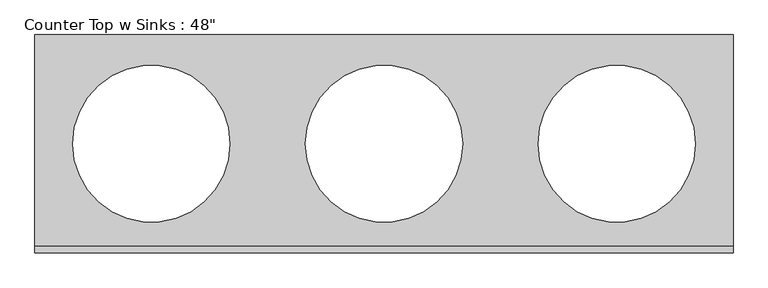
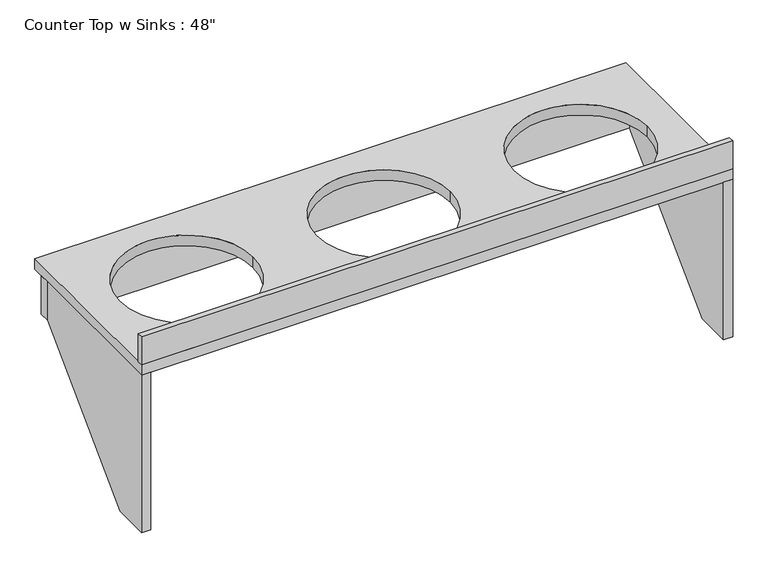
"""IFC4 building model written with IfcOpenShell, lengths in millimetres: furniture geometry."""

import ifcopenshell
import ifcopenshell.guid

model = None  # the IFC model being written
_history = None  # IfcOwnerHistory: only IFC2X3 demands one
_inside = {}  # id of a spatial element -> (the spatial element, [elements in it])
_under = {}  # id of a project, library or spatial element -> (it, [spatial elements below it])
_declared = {}  # id of a project -> (the project, [libraries it declares])
_typed = {}  # id of a type object -> (the type object, [elements of that type])
_made_of = {}  # id of a material, layer set ... -> (it, [elements and type objects made of it])


def new_model(schema):
    """Start an empty IFC model of exactly this schema.

    Asked for "IFC4X3", IfcOpenShell would pick the latest addendum, in which some entities
    have other attributes; the version numbers below select the first issue.
    IFC2X3 requires an IfcOwnerHistory on every rooted entity: one is made here for all.
    """
    global model, _history
    if schema == "IFC4X3":
        model = ifcopenshell.file(schema_version=(4, 3, 0, 0))
    else:
        model = ifcopenshell.file(schema=schema)
    _inside.clear()
    _under.clear()
    _declared.clear()
    _typed.clear()
    _made_of.clear()
    _history = None
    if model.schema == "IFC2X3":
        org = make("IfcOrganization", Name="unknown")
        user = make(
            "IfcPersonAndOrganization",
            ThePerson=make("IfcPerson", FamilyName="unknown"),
            TheOrganization=org,
        )
        app = make(
            "IfcApplication",
            ApplicationDeveloper=org,
            Version="unknown",
            ApplicationFullName="unknown",
            ApplicationIdentifier="unknown",
        )
        _history = make(
            "IfcOwnerHistory",
            OwningUser=user,
            OwningApplication=app,
            ChangeAction="ADDED",
            CreationDate=0,
        )
    return model


def make(cls, **values):
    """One entity of the class cls with the attributes given. An attribute that is None is left unset."""
    return model.create_entity(
        cls, **{name: value for name, value in values.items() if value is not None}
    )


def rooted(cls, **values):
    """An entity with a GlobalId (a new one), such as an element, a storey or a relation."""
    return make(cls, GlobalId=ifcopenshell.guid.new(), OwnerHistory=_history, **values)


def si_unit(unit_type, name, prefix=None):
    """IfcSIUnit, for example si_unit("LENGTHUNIT", "METRE", prefix="MILLI")."""
    return make("IfcSIUnit", UnitType=unit_type, Prefix=prefix, Name=name)


def assignment(units):
    """IfcUnitAssignment: the units of a project."""
    return None if units is None else make("IfcUnitAssignment", Units=units)


def point(xyz):
    """IfcCartesianPoint."""
    return None if xyz is None else make("IfcCartesianPoint", Coordinates=xyz)


def direction(xyz):
    """IfcDirection."""
    return None if xyz is None else make("IfcDirection", DirectionRatios=xyz)


def frame(location, z_axis=None, x_axis=None):
    """IfcAxis2Placement3D, a coordinate frame: its origin and axes. An axis left out is left unset."""
    return make(
        "IfcAxis2Placement3D",
        Location=point(location),
        Axis=direction(z_axis),
        RefDirection=direction(x_axis),
    )


def frame_2d(location, x_axis=None):
    """IfcAxis2Placement2D, a coordinate frame in the plane: its origin and x axis."""
    return make(
        "IfcAxis2Placement2D", Location=point(location), RefDirection=direction(x_axis)
    )


def origin():
    """The frame at (0, 0, 0) with its axes left unset."""
    return frame((0.0, 0.0, 0.0))


def place(relative_to, where):
    """IfcLocalPlacement: puts the frame where relative to a parent placement (None: the world)."""
    return make(
        "IfcLocalPlacement", PlacementRelTo=relative_to, RelativePlacement=where
    )


def context(
    kind, dimensions, precision=None, world=None, true_north=None, identifier=None
):
    """IfcGeometricRepresentationContext, for example the 3D "Model" context."""
    return make(
        "IfcGeometricRepresentationContext",
        ContextIdentifier=identifier,
        ContextType=kind,
        CoordinateSpaceDimension=dimensions,
        Precision=precision,
        WorldCoordinateSystem=world,
        TrueNorth=true_north,
    )


def project(units=None, contexts=None):
    """IfcProject with its units and contexts."""
    return rooted(
        "IfcProject",
        Name="project",
        RepresentationContexts=contexts,
        UnitsInContext=assignment(units),
    )


def spatial(cls, under=None, at=None, **own):
    """A site, building, storey or space (cls), placed at a placement, below another one or the project."""
    s = rooted(cls, ObjectPlacement=at, **own)
    if under is not None:
        _under.setdefault(under.id(), (under, []))[1].append(s)
    return s


def polyline(points):
    """IfcPolyline through the points."""
    return make("IfcPolyline", Points=[point(p) for p in points])


def circle_curve(where, radius):
    """IfcCircle in the frame where."""
    return make("IfcCircle", Position=where, Radius=radius)


def trimmed(basis, trim1, trim2, sense, master):
    """IfcTrimmedCurve: the piece of a basis curve between two trims."""
    return make(
        "IfcTrimmedCurve",
        BasisCurve=basis,
        Trim1=trim1,
        Trim2=trim2,
        SenseAgreement=sense,
        MasterRepresentation=master,
    )


def segment(curve, same_sense, transition):
    """IfcCompositeCurveSegment."""
    return make(
        "IfcCompositeCurveSegment",
        Transition=transition,
        SameSense=same_sense,
        ParentCurve=curve,
    )


def composite_curve(segments, self_intersect=None):
    """IfcCompositeCurve: segments joined end to end."""
    return make("IfcCompositeCurve", Segments=segments, SelfIntersect=self_intersect)


def outline(outer, holes=None, kind="AREA"):
    """IfcArbitraryClosedProfileDef: a profile drawn as a closed curve; with holes, ...WithVoids."""
    if holes is None:
        return make("IfcArbitraryClosedProfileDef", ProfileType=kind, OuterCurve=outer)
    return make(
        "IfcArbitraryProfileDefWithVoids",
        ProfileType=kind,
        OuterCurve=outer,
        InnerCurves=holes,
    )


def extrude(swept, where, along, depth):
    """IfcExtrudedAreaSolid: the profile swept, set in the frame where, extruded along a direction by depth."""
    return make(
        "IfcExtrudedAreaSolid",
        SweptArea=swept,
        Position=where,
        ExtrudedDirection=direction(along),
        Depth=depth,
    )


def shape(context_of_items, identifier, shape_type, items):
    """IfcShapeRepresentation: the items that make up one representation, for example the "Body"."""
    return make(
        "IfcShapeRepresentation",
        ContextOfItems=context_of_items,
        RepresentationIdentifier=identifier,
        RepresentationType=shape_type,
        Items=items,
    )


def source(mapping_origin, context_of_items, identifier, shape_type, items):
    """IfcRepresentationMap: a shape defined once, which mapped items show again and again."""
    return make(
        "IfcRepresentationMap",
        MappingOrigin=mapping_origin,
        MappedRepresentation=shape(context_of_items, identifier, shape_type, items),
    )


def transform(
    local_origin,
    x_axis=None,
    y_axis=None,
    z_axis=None,
    scale=None,
    scale2=None,
    scale3=None,
    uniform=True,
):
    """IfcCartesianTransformationOperator3D, or its non-uniform kind. x_axis, y_axis, z_axis: its Axis1, 2, 3."""
    if uniform:
        return make(
            "IfcCartesianTransformationOperator3D",
            Axis1=direction(x_axis),
            Axis2=direction(y_axis),
            LocalOrigin=point(local_origin),
            Scale=scale,
            Axis3=direction(z_axis),
        )
    return make(
        "IfcCartesianTransformationOperator3DnonUniform",
        Axis1=direction(x_axis),
        Axis2=direction(y_axis),
        LocalOrigin=point(local_origin),
        Scale=scale,
        Axis3=direction(z_axis),
        Scale2=scale2,
        Scale3=scale3,
    )


def mapped(mapping_source, mapping_target):
    """IfcMappedItem: shows the shape of a source again, moved by a transform."""
    return make(
        "IfcMappedItem", MappingSource=mapping_source, MappingTarget=mapping_target
    )


def made_of(thing, what):
    """Note that an element or type object is made of a material, layer set ...; save() writes the relation."""
    if what is not None:
        _made_of.setdefault(what.id(), (what, []))[1].append(thing)
    return thing


def element(
    cls,
    number,
    at=None,
    inside=None,
    cuts=None,
    type_object=None,
    material=None,
    context=None,
    identifier="Body",
    shape_type=None,
    held_by="IfcProductDefinitionShape",
    body=None,
    shapes=None,
    **own,
):
    """One element of the class cls, such as IfcWall. Its Tag is "e" and its number.

    at: its placement. inside: the storey or other place that contains it. cuts: it is an
    opening in that element (IfcRelVoidsElement). A single representation is given by context,
    identifier, shape_type and body (its items); several are given by shapes. held_by: the class
    of the entity that holds the representations. save() writes the other relations.
    """
    e = rooted(cls, Tag="e%d" % number, ObjectPlacement=at, **own)
    if body is not None:
        shapes = [shape(context, identifier, shape_type, body)]
    if shapes is not None:
        e.Representation = make(held_by, Representations=shapes)
    if inside is not None:
        _inside.setdefault(inside.id(), (inside, []))[1].append(e)
    if cuts is not None:
        rooted(
            "IfcRelVoidsElement", RelatingBuildingElement=cuts, RelatedOpeningElement=e
        )
    if type_object is not None:
        _typed.setdefault(type_object.id(), (type_object, []))[1].append(e)
    return made_of(e, material)


def aggregate(whole, parts):
    """IfcRelAggregates: a whole, such as a stair, and the parts it consists of."""
    return rooted("IfcRelAggregates", RelatingObject=whole, RelatedObjects=parts)


def save(model, path):
    """Write the relations noted so far, then the file.

    IfcRelAggregates (storeys below a building ...), IfcRelContainedInSpatialStructure (elements
    in a storey), IfcRelDefinesByType, IfcRelAssociatesMaterial and IfcRelDeclares: one each for
    every whole, place, type object, material and project.
    """
    for whole, parts in _under.values():
        aggregate(whole, parts)
    for where, things in _inside.values():
        rooted(
            "IfcRelContainedInSpatialStructure",
            RelatedElements=things,
            RelatingStructure=where,
        )
    for kind, things in _typed.values():
        rooted("IfcRelDefinesByType", RelatedObjects=things, RelatingType=kind)
    for what, things in _made_of.values():
        rooted("IfcRelAssociatesMaterial", RelatedObjects=things, RelatingMaterial=what)
    for by, libraries in _declared.values():
        rooted("IfcRelDeclares", RelatingContext=by, RelatedDefinitions=libraries)
    model.write(path)


def furniture_2ffbf2f2(model_context):
    return source(origin(), model_context, "Body", "SweptSolid", [
        extrude(outline(polyline([(147.6375, 825.5), (706.4375, 825.5), (706.4375, 685.8), (274.6375, 254.0), (147.6375, 254.0), (147.6375, 825.5)])), frame((-1116.1103038, 0.0, 0.0), z_axis=(1.0, 0.0, 0.0), x_axis=(0.0, 1.0, 0.0)), (0.0, 0.0, 1.0), 31.75),
        extrude(outline(polyline([(147.6375, 825.5), (706.4375, 825.5), (706.4375, 685.8), (274.6375, 254.0), (147.6375, 254.0), (147.6375, 825.5)])), frame((884.1396962, 0.0, 0.0), z_axis=(1.0, 0.0, 0.0), x_axis=(0.0, 1.0, 0.0)), (0.0, 0.0, 1.0), 31.75),
        extrude(outline(polyline([(-1116.1103038, 706.4375), (-1116.1103038, 744.5375), (915.8896962, 744.5375), (915.8896962, 706.4375), (-1116.1103038, 706.4375)])), frame((0.0, 0.0, 685.8), z_axis=(0.0, 0.0, 1.0), x_axis=(1.0, 0.0, 0.0)), (0.0, 0.0, 1.0), 139.7),
        extrude(outline(polyline([(915.8896962, 147.6375), (-1116.1103038, 147.6375), (-1116.1103038, 166.6875), (915.8896962, 166.6875), (915.8896962, 147.6375)])), frame((0.0, 0.0, 863.6), z_axis=(0.0, 0.0, 1.0), x_axis=(1.0, 0.0, 0.0)), (0.0, 0.0, 1.0), 101.6),
        extrude(outline(polyline([(915.8896962, 147.6375), (-1116.1103038, 147.6375), (-1116.1103038, 782.6375), (915.8896962, 782.6375), (915.8896962, 147.6375)]), holes=[composite_curve([segment(trimmed(circle_curve(frame_2d((-777.4436371, 465.1375)), 228.6), [point((-1006.0436371, 465.1375))], [point((-548.8436371, 465.1375))], True, "CARTESIAN"), True, "CONTINUOUS"), segment(trimmed(circle_curve(frame_2d((-777.4436371, 465.1375)), 228.6), [point((-548.8436371, 465.1375))], [point((-1006.0436371, 465.1375))], True, "CARTESIAN"), True, "CONTINUOUS")], self_intersect=False), composite_curve([segment(trimmed(circle_curve(frame_2d((577.2230295, 465.1375)), 228.6), [point((348.6230295, 465.1375))], [point((805.8230295, 465.1375))], True, "CARTESIAN"), True, "CONTINUOUS"), segment(trimmed(circle_curve(frame_2d((577.2230295, 465.1375)), 228.6), [point((805.8230295, 465.1375))], [point((348.6230295, 465.1375))], True, "CARTESIAN"), True, "CONTINUOUS")], self_intersect=False), composite_curve([segment(trimmed(circle_curve(frame_2d((-100.1103038, 465.1375)), 228.6), [point((-328.7103038, 465.1375))], [point((128.4896962, 465.1375))], True, "CARTESIAN"), True, "CONTINUOUS"), segment(trimmed(circle_curve(frame_2d((-100.1103038, 465.1375)), 228.6), [point((128.4896962, 465.1375))], [point((-328.7103038, 465.1375))], True, "CARTESIAN"), True, "CONTINUOUS")], self_intersect=False)]), frame((0.0, 0.0, 825.5), z_axis=(0.0, 0.0, 1.0), x_axis=(1.0, 0.0, 0.0)), (0.0, 0.0, 1.0), 38.1),
    ])


if __name__ == "__main__":
    model = new_model("IFC4")
    model_context = context("Model", 3, world=origin())
    ifc_project = project(units=[si_unit("LENGTHUNIT", "METRE", prefix="MILLI")], contexts=[model_context])
    site = spatial("IfcSite", under=ifc_project)
    building = spatial("IfcBuilding", under=site)
    placement = place(None, origin())
    furniture_shape = furniture_2ffbf2f2(model_context)
    element("IfcFurniture", 1, ObjectType="Counter Top w Sinks : 48\"", at=placement, inside=building, context=model_context, shape_type="MappedRepresentation", body=[
        mapped(furniture_shape, transform((0.0, 0.0, 0.0), x_axis=(1.0, 0.0, 0.0), y_axis=(0.0, 1.0, 0.0), z_axis=(0.0, 0.0, 1.0))),
    ])
    save(model, "model.ifc")
